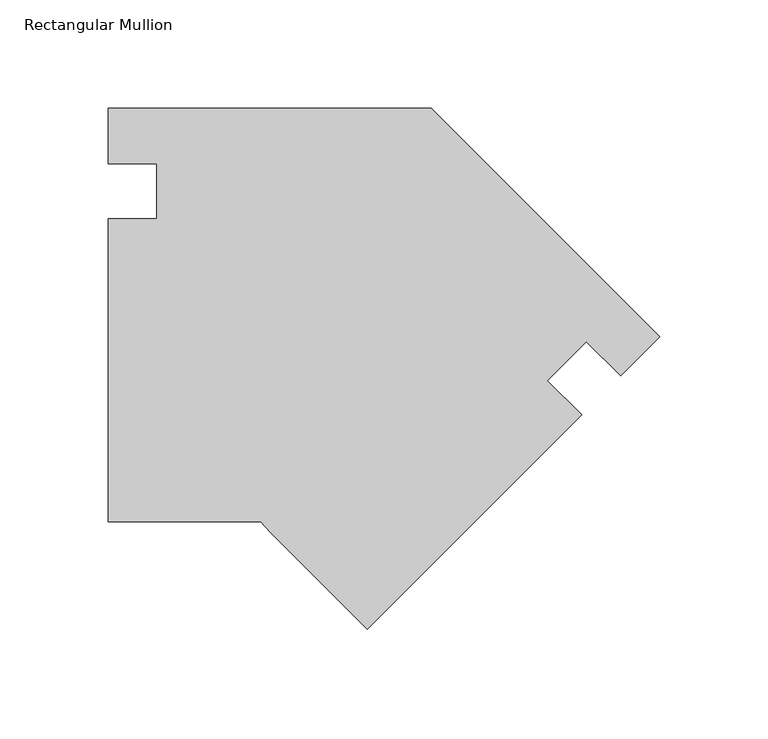
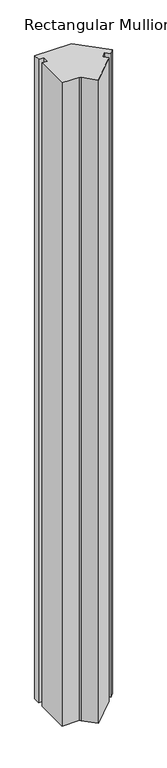
"""IFC4 building model written with IfcOpenShell, lengths in millimetres: member geometry, Rectangular Mullion."""

from ifc_helpers import new_model, si_unit, frame, origin, place, context, project, spatial, polyline, outline, extrude, source, transform, mapped, element, save


def rectangular_mullion_9ed7bac1(model_context):
    return source(origin(), model_context, "Body", "SweptSolid", [
        extrude(outline(polyline([(-183.7142505, -190.499995), (-253.9452505, -190.499995), (-253.9452505, -50.8), (-231.7203637, -50.8), (-231.7203637, -25.3891318), (-253.9452505, -25.3891318), (-253.9452505, -5.6e-06), (-105.1875562, -5.6e-06), (0.0, -105.1875618), (-17.9528308, -123.1403926), (-33.668199, -107.4250245), (-51.6363962, -125.3932217), (-35.921028, -141.1085899), (-134.7038418, -239.8914037), (-179.1385268, -195.4567187), (-183.7142505, -190.499995)])), frame((0.0, 0.0, -2743.2), z_axis=(0.0, 0.0, 1.0), x_axis=(1.0, 0.0, 0.0)), (0.0, 0.0, 1.0), 2743.2),
    ])


if __name__ == "__main__":
    model = new_model("IFC4")
    model_context = context("Model", 3, world=origin())
    ifc_project = project(units=[si_unit("LENGTHUNIT", "METRE", prefix="MILLI")], contexts=[model_context])
    site = spatial("IfcSite", under=ifc_project)
    building = spatial("IfcBuilding", under=site)
    placement = place(None, origin())
    rectangular_mullion_shape = rectangular_mullion_9ed7bac1(model_context)
    element("IfcMember", 1, ObjectType="Rectangular Mullion", at=placement, inside=building, context=model_context, shape_type="MappedRepresentation", body=[
        mapped(rectangular_mullion_shape, transform((0.0, 0.0, 0.0), x_axis=(1.0, 0.0, 0.0), y_axis=(0.0, 1.0, 0.0), z_axis=(0.0, 0.0, 1.0))),
    ])
    save(model, "model.ifc")
